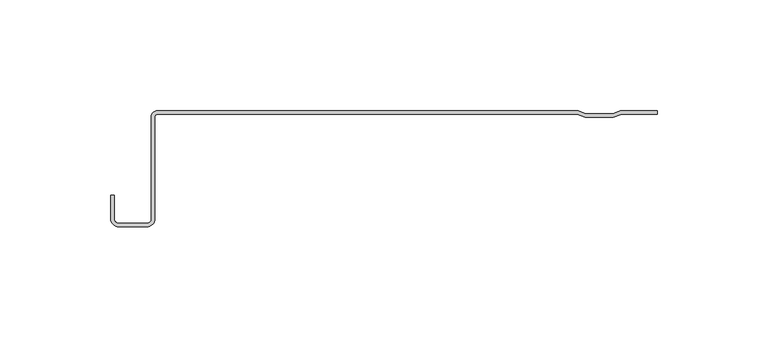
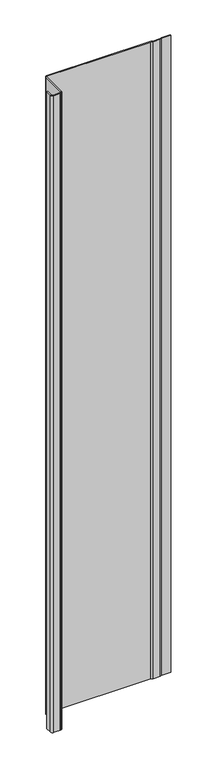
"""IFC4 building model written with IfcOpenShell, lengths in millimetres: plate geometry."""

from ifc_helpers import new_model, si_unit, point, frame_2d, origin, origin_with_axes, place, context, project, spatial, polyline, circle_curve, trimmed, segment, composite_curve, outline, extrude, source, transform, mapped, element, save


def plate_2ddbc2eb(model_context):
    return source(origin(), model_context, "Body", "SweptSolid", [
        extrude(outline(composite_curve([segment(polyline([(-112.152458, -2.7400216), (-112.152458, -48.8784494)]), True, "CONTINUOUS"), segment(trimmed(circle_curve(frame_2d((-115.7834285, -48.8784494)), 3.6309705), [point((-112.152458, -48.8784494))], [point((-115.7834285, -52.5094199))], False, "CARTESIAN"), True, "CONTINUOUS"), segment(polyline([(-115.7834285, -52.5094199), (-128.5112707, -52.5094199)]), True, "CONTINUOUS"), segment(trimmed(circle_curve(frame_2d((-128.5112707, -48.8784494)), 3.6309705), [point((-128.5112707, -52.5094199))], [point((-132.1422412, -48.8784494))], False, "CARTESIAN"), True, "CONTINUOUS"), segment(polyline([(-132.1422412, -48.8784494), (-132.1422412, -38.1835265), (-130.5441899, -38.1835265), (-130.5441899, -48.8784494)]), True, "CONTINUOUS"), segment(trimmed(circle_curve(frame_2d((-128.5112707, -48.8784494)), 2.0329192), [point((-130.5441899, -48.8784494))], [point((-128.5112707, -50.9113686))], True, "CARTESIAN"), True, "CONTINUOUS"), segment(polyline([(-128.5112707, -50.9113686), (-115.7834285, -50.9113686)]), True, "CONTINUOUS"), segment(trimmed(circle_curve(frame_2d((-115.7834285, -48.8784494)), 2.0329192), [point((-115.7834285, -50.9113686))], [point((-113.7505093, -48.8784494))], True, "CARTESIAN"), True, "CONTINUOUS"), segment(polyline([(-113.7505093, -48.8784494), (-113.7505093, -2.7400216)]), True, "CONTINUOUS"), segment(trimmed(circle_curve(frame_2d((-111.0104877, -2.7400216)), 2.7400216), [point((-113.7505093, -2.7400216))], [point((-111.0104877, 0.0))], False, "CARTESIAN"), True, "CONTINUOUS"), segment(polyline([(-111.0104877, 0.0), (79.122811, 0.0), (82.4950553, -1.3488977), (94.8164261, -1.3488977), (98.1886704, 0.0), (114.9042607, 0.0), (114.9042607, -1.5980513), (98.7126222, -1.5980513), (95.0483672, -3.0637533), (82.2631143, -3.0637533), (78.5988593, -1.5980513), (-111.0104877, -1.5980513)]), True, "CONTINUOUS"), segment(trimmed(circle_curve(frame_2d((-111.0104877, -2.7400216)), 1.1419703), [point((-111.0104877, -1.5980513))], [point((-112.152458, -2.7400216))], True, "CARTESIAN"), True, "CONTINUOUS")], self_intersect=False)), origin_with_axes(), (0.0, 0.0, 1.0), 1228.3559792),
    ])


if __name__ == "__main__":
    model = new_model("IFC4")
    model_context = context("Model", 3, world=origin())
    ifc_project = project(units=[si_unit("LENGTHUNIT", "METRE", prefix="MILLI")], contexts=[model_context])
    site = spatial("IfcSite", under=ifc_project)
    building = spatial("IfcBuilding", under=site)
    placement = place(None, origin())
    plate_shape = plate_2ddbc2eb(model_context)
    element("IfcPlate", 1, at=placement, inside=building, context=model_context, shape_type="MappedRepresentation", body=[
        mapped(plate_shape, transform((0.0, 0.0, 0.0), x_axis=(1.0, 0.0, 0.0), y_axis=(0.0, 1.0, 0.0), z_axis=(0.0, 0.0, 1.0))),
    ])
    save(model, "model.ifc")
